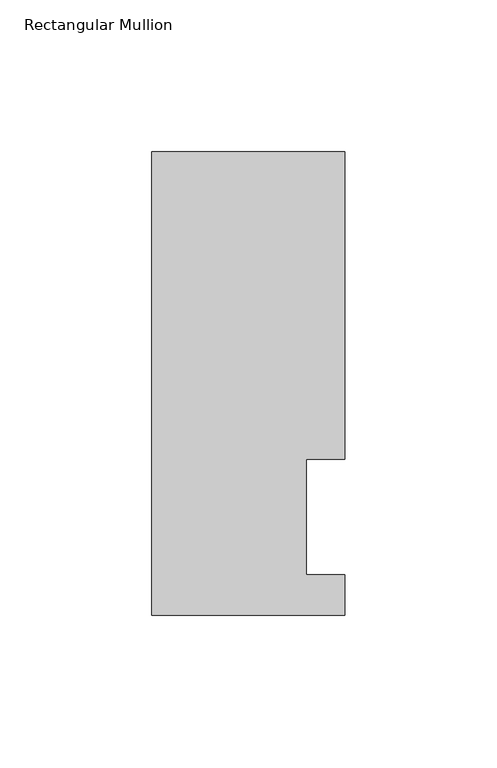
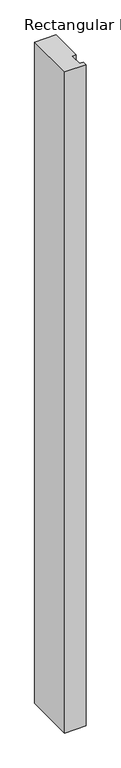
"""IFC4 building model written with IfcOpenShell, lengths in millimetres: member geometry, Rectangular Mullion."""

from ifc_helpers import new_model, si_unit, frame, origin, place, context, project, spatial, polyline, outline, extrude, source, transform, mapped, element, save


def rectangular_mullion_c372ea3b(model_context):
    return source(origin(), model_context, "Body", "SweptSolid", [
        extrude(outline(polyline([(19.05, 51.6929687), (19.05, 13.5929688), (31.75, 13.5929688), (31.75, 0.4103688), (-31.75, 0.4103688), (-31.75, 152.8865688), (31.75, 152.8865688), (31.75, 51.6929688), (19.05, 51.6929687)])), frame((0.0, 0.0, -2057.4), z_axis=(0.0, 0.0, 1.0), x_axis=(1.0, 0.0, 0.0)), (0.0, 0.0, 1.0), 2057.4),
    ])


if __name__ == "__main__":
    model = new_model("IFC4")
    model_context = context("Model", 3, world=origin())
    ifc_project = project(units=[si_unit("LENGTHUNIT", "METRE", prefix="MILLI")], contexts=[model_context])
    site = spatial("IfcSite", under=ifc_project)
    building = spatial("IfcBuilding", under=site)
    placement = place(None, origin())
    rectangular_mullion_shape = rectangular_mullion_c372ea3b(model_context)
    element("IfcMember", 1, ObjectType="Rectangular Mullion", at=placement, inside=building, context=model_context, shape_type="MappedRepresentation", body=[
        mapped(rectangular_mullion_shape, transform((0.0, 0.0, 0.0), x_axis=(1.0, 0.0, 0.0), y_axis=(0.0, 1.0, 0.0), z_axis=(0.0, 0.0, 1.0))),
    ])
    save(model, "model.ifc")
